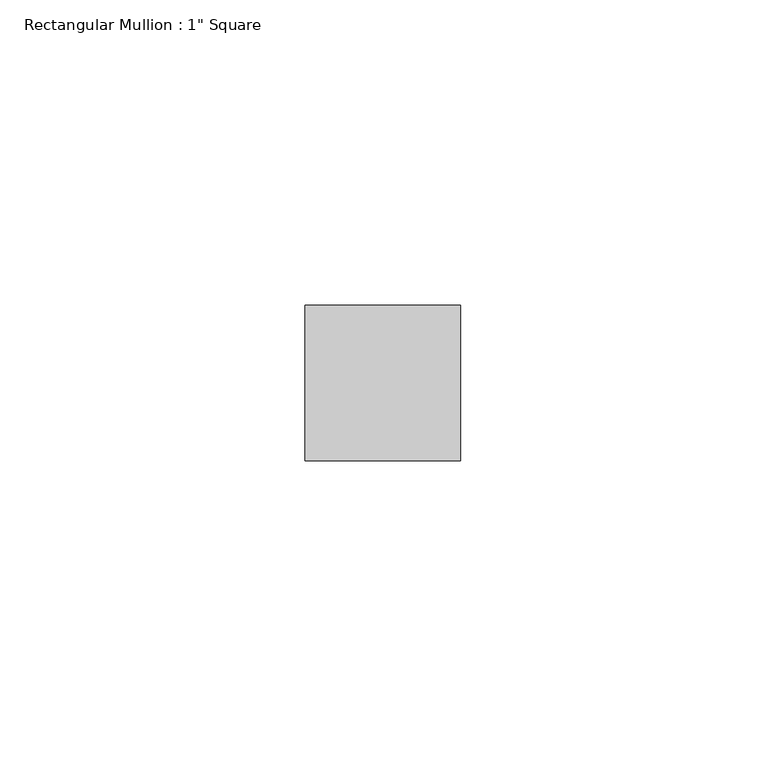
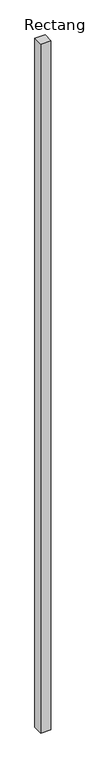
"""IFC4 building model written with IfcOpenShell, lengths in millimetres: member geometry."""

from ifc_helpers import new_model, si_unit, frame, origin, place, context, project, spatial, polyline, outline, extrude, source, transform, mapped, element, save


def member_a3b27b78(model_context):
    return source(origin(), model_context, "Body", "SweptSolid", [
        extrude(outline(polyline([(12.7, 12.7), (12.7, -12.7), (-12.7, -12.7), (-12.7, 12.7), (12.7, 12.7)])), frame((0.0, 0.0, -1816.1), z_axis=(0.0, 0.0, 1.0), x_axis=(1.0, 0.0, 0.0)), (0.0, 0.0, 1.0), 1816.1),
    ])


if __name__ == "__main__":
    model = new_model("IFC4")
    model_context = context("Model", 3, world=origin())
    ifc_project = project(units=[si_unit("LENGTHUNIT", "METRE", prefix="MILLI")], contexts=[model_context])
    site = spatial("IfcSite", under=ifc_project)
    building = spatial("IfcBuilding", under=site)
    placement = place(None, origin())
    member_shape = member_a3b27b78(model_context)
    element("IfcMember", 1, ObjectType="Rectangular Mullion : 1\" Square", at=placement, inside=building, context=model_context, shape_type="MappedRepresentation", body=[
        mapped(member_shape, transform((0.0, 0.0, 0.0), x_axis=(1.0, 0.0, 0.0), y_axis=(0.0, 1.0, 0.0), z_axis=(0.0, 0.0, 1.0))),
    ])
    save(model, "model.ifc")
